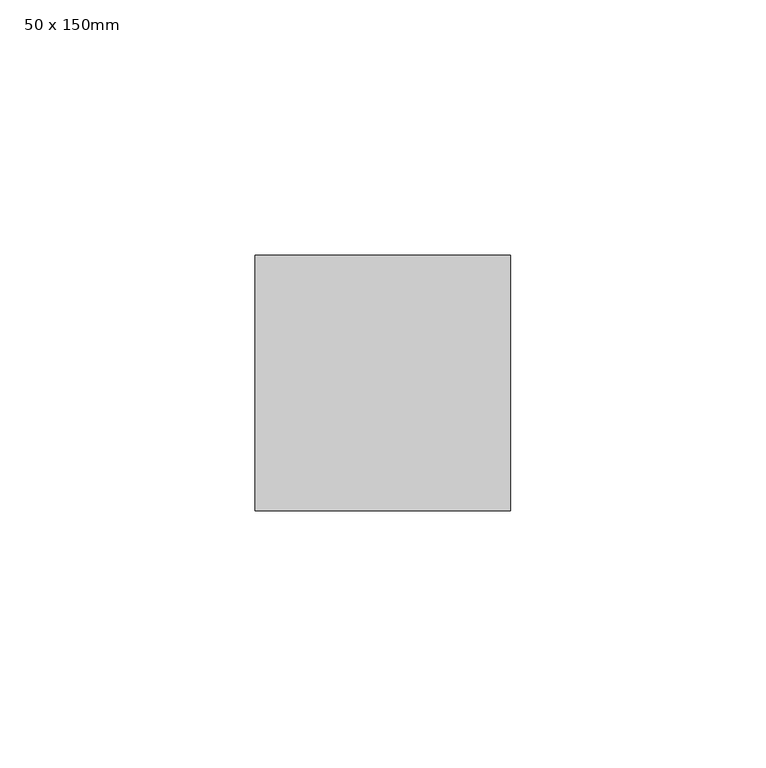
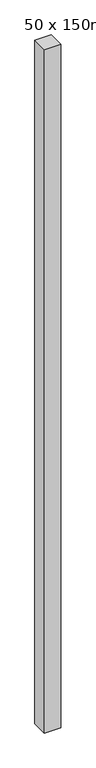
"""IFC4 building model written with IfcOpenShell, lengths in millimetres: member geometry, 50 x 150mm."""

from ifc_helpers import new_model, si_unit, frame, origin, place, context, project, spatial, polyline, outline, extrude, source, transform, mapped, element, save


def member_50_x_150mm_9d6ff7be(model_context):
    return source(origin(), model_context, "Body", "SweptSolid", [
        extrude(outline(polyline([(25.0, 25.0), (25.0, -25.0), (-25.0, -25.0), (-25.0, 25.0), (25.0, 25.0)])), frame((0.0, 0.0, -2212.3720076), z_axis=(0.0, 0.0, 1.0), x_axis=(1.0, 0.0, 0.0)), (0.0, 0.0, 1.0), 2212.3720076),
    ])


if __name__ == "__main__":
    model = new_model("IFC4")
    model_context = context("Model", 3, world=origin())
    ifc_project = project(units=[si_unit("LENGTHUNIT", "METRE", prefix="MILLI")], contexts=[model_context])
    site = spatial("IfcSite", under=ifc_project)
    building = spatial("IfcBuilding", under=site)
    placement = place(None, origin())
    member_50_x_150mm_shape = member_50_x_150mm_9d6ff7be(model_context)
    element("IfcMember", 1, ObjectType="50 x 150mm", at=placement, inside=building, context=model_context, shape_type="MappedRepresentation", body=[
        mapped(member_50_x_150mm_shape, transform((0.0, 0.0, 0.0), x_axis=(1.0, 0.0, 0.0), y_axis=(0.0, 1.0, 0.0), z_axis=(0.0, 0.0, 1.0))),
    ])
    save(model, "model.ifc")
